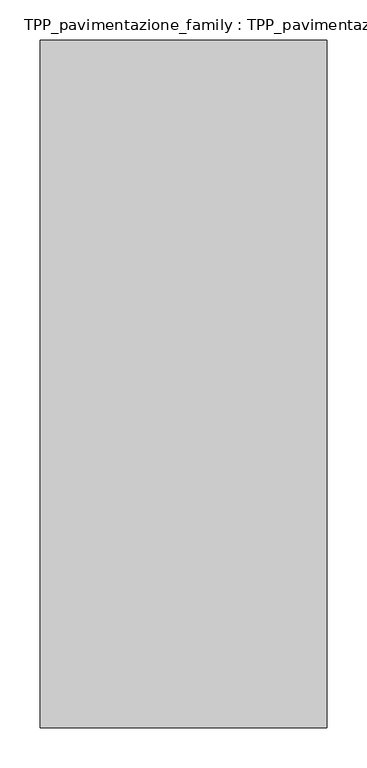
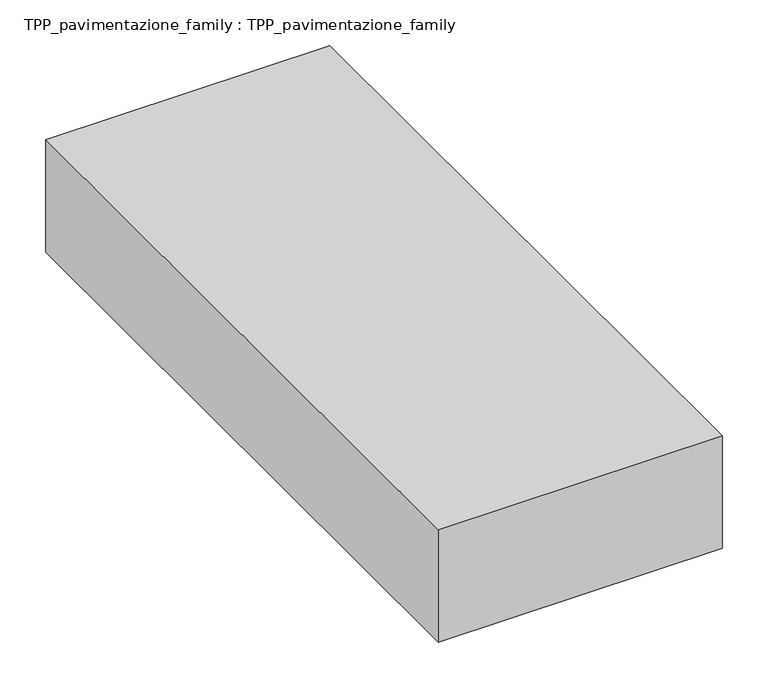
"""IFC4 building model written with IfcOpenShell, lengths in millimetres: proxy geometry, TPP_pavimentazione_family : TPP_pavimentazione_family."""

from ifc_helpers import new_model, si_unit, origin, origin_with_axes, place, context, project, spatial, polyline, outline, extrude, source, transform, mapped, element, save


def tpp_pavimentazione_family_tpp_pavimentazione_family_928a136d(model_context):
    return source(origin(), model_context, "Body", "SweptSolid", [
        extrude(outline(polyline([(511.8146187, 354.2201026), (511.8146187, -503.2961571), (153.638395, -503.2961571), (153.638395, 354.2201026), (511.8146187, 354.2201026)])), origin_with_axes(), (0.0, 0.0, 1.0), 150.0),
    ])


if __name__ == "__main__":
    model = new_model("IFC4")
    model_context = context("Model", 3, world=origin())
    ifc_project = project(units=[si_unit("LENGTHUNIT", "METRE", prefix="MILLI")], contexts=[model_context])
    site = spatial("IfcSite", under=ifc_project)
    building = spatial("IfcBuilding", under=site)
    placement = place(None, origin())
    tpp_pavimentazione_family_tpp_pavimentazione_family_shape = tpp_pavimentazione_family_tpp_pavimentazione_family_928a136d(model_context)
    element("IfcBuildingElementProxy", 1, Name="TPP_pavimentazione_family : TPP_pavimentazione_family", ObjectType="TPP_pavimentazione_family : TPP_pavimentazione_family", at=placement, inside=building, context=model_context, shape_type="MappedRepresentation", body=[
        mapped(tpp_pavimentazione_family_tpp_pavimentazione_family_shape, transform((0.0, 0.0, 0.0), x_axis=(1.0, 0.0, 0.0), y_axis=(0.0, 1.0, 0.0), z_axis=(0.0, 0.0, 1.0))),
    ])
    save(model, "model.ifc")
